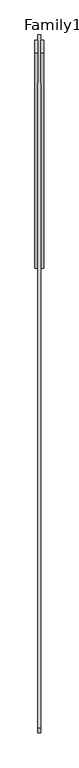
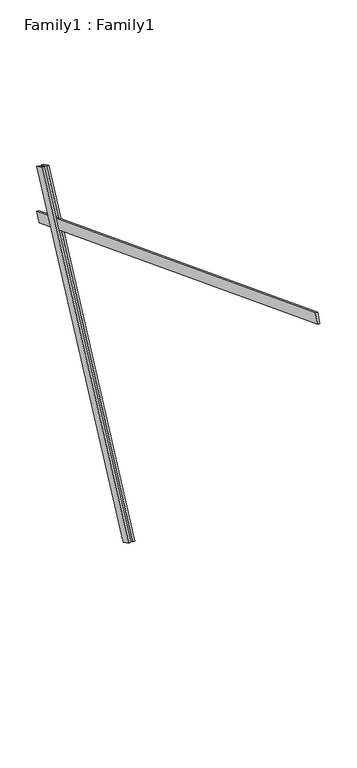
"""IFC4 building model written with IfcOpenShell, lengths in millimetres: proxy geometry, Family1 : Family1."""

from ifc_helpers import new_model, si_unit, frame, origin, place, context, project, spatial, polyline, outline, extrude, source, transform, mapped, element, save


def family1_family1_65d306de(model_context):
    return source(origin(), model_context, "Body", "SweptSolid", [
        extrude(outline(polyline([(0.0, 0.0), (0.0, -20.0), (-100.0000001, -20.0), (-100.0000001, 0.0), (0.0, 0.0)])), frame((-30.0, 46.3241747, -22.5938096), z_axis=(0.0, 0.4383711467890692, 0.8987940462991711), x_axis=(0.0, 0.8987940462991711, -0.4383711467890692)), (0.0, 0.0, 1.0), 3300.0),
        extrude(outline(polyline([(0.0, 0.0), (0.0, -20.0), (-99.9999999, -20.0), (-99.9999999, 0.0), (0.0, 0.0)])), frame((10.0, 45.270232, -22.0797674), z_axis=(0.0, 0.4383711467890692, 0.8987940462991711), x_axis=(0.0, 0.8987940462991711, -0.4383711467890692)), (0.0, 0.0, 1.0), 3300.0),
        extrude(outline(polyline([(0.0, -20.0), (0.0, 0.0), (4999.9999999, 0.0), (4999.9999999, -20.0), (0.0, -20.0)])), frame((-10.0, -3176.6850523, 4153.6509905), z_axis=(0.0, 0.35836794954530243, 0.933580426497201), x_axis=(0.0, 0.933580426497201, -0.35836794954530243)), (0.0, 0.0, 1.0), 100.0),
    ])


if __name__ == "__main__":
    model = new_model("IFC4")
    model_context = context("Model", 3, world=origin())
    ifc_project = project(units=[si_unit("LENGTHUNIT", "METRE", prefix="MILLI")], contexts=[model_context])
    site = spatial("IfcSite", under=ifc_project)
    building = spatial("IfcBuilding", under=site)
    placement = place(None, origin())
    family1_family1_shape = family1_family1_65d306de(model_context)
    element("IfcBuildingElementProxy", 1, Name="Family1 : Family1", ObjectType="Family1 : Family1", at=placement, inside=building, context=model_context, shape_type="MappedRepresentation", body=[
        mapped(family1_family1_shape, transform((0.0, 0.0, 0.0), x_axis=(1.0, 0.0, 0.0), y_axis=(0.0, 1.0, 0.0), z_axis=(0.0, 0.0, 1.0))),
    ])
    save(model, "model.ifc")
